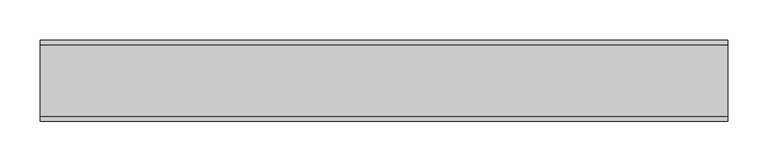
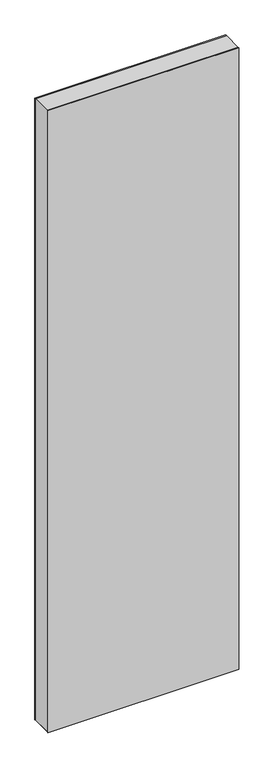
"""IFC4 building model written with IfcOpenShell, lengths in millimetres: plate geometry."""

from ifc_helpers import new_model, si_unit, frame, origin, origin_with_axes, place, context, project, spatial, polyline, outline, extrude, source, transform, mapped, element, save


def plate_c6d2354b(model_context):
    return source(origin(), model_context, "Body", "SweptSolid", [
        extrude(outline(polyline([(2931.0, -425.3847577), (0.0, -425.3847577), (0.0, 425.3847577), (2931.0, 425.3847577), (2931.0, -425.3847577)]), holes=[polyline([(2930.0, -424.3847577), (2930.0, 424.3847577), (1.0, 424.3847577), (1.0, -424.3847577), (2930.0, -424.3847577)])]), frame((0.0, -44.0, 0.0), z_axis=(0.0, 1.0, 0.0), x_axis=(0.0, 0.0, 1.0)), (0.0, 0.0, 1.0), 88.0),
        extrude(outline(polyline([(425.3847577, 44.0), (-425.3847577, 44.0), (-425.3847577, 50.0), (425.3847577, 50.0), (425.3847577, 44.0)])), origin_with_axes(), (0.0, 0.0, 1.0), 2931.0),
        extrude(outline(polyline([(-425.3847577, -50.0), (-425.3847577, -44.0), (425.3847577, -44.0), (425.3847577, -50.0), (-425.3847577, -50.0)])), origin_with_axes(), (0.0, 0.0, 1.0), 2931.0),
    ])


if __name__ == "__main__":
    model = new_model("IFC4")
    model_context = context("Model", 3, world=origin())
    ifc_project = project(units=[si_unit("LENGTHUNIT", "METRE", prefix="MILLI")], contexts=[model_context])
    site = spatial("IfcSite", under=ifc_project)
    building = spatial("IfcBuilding", under=site)
    placement = place(None, origin())
    plate_shape = plate_c6d2354b(model_context)
    element("IfcPlate", 1, at=placement, inside=building, context=model_context, shape_type="MappedRepresentation", body=[
        mapped(plate_shape, transform((0.0, 0.0, 0.0), x_axis=(1.0, 0.0, 0.0), y_axis=(0.0, 1.0, 0.0), z_axis=(0.0, 0.0, 1.0))),
    ])
    save(model, "model.ifc")
